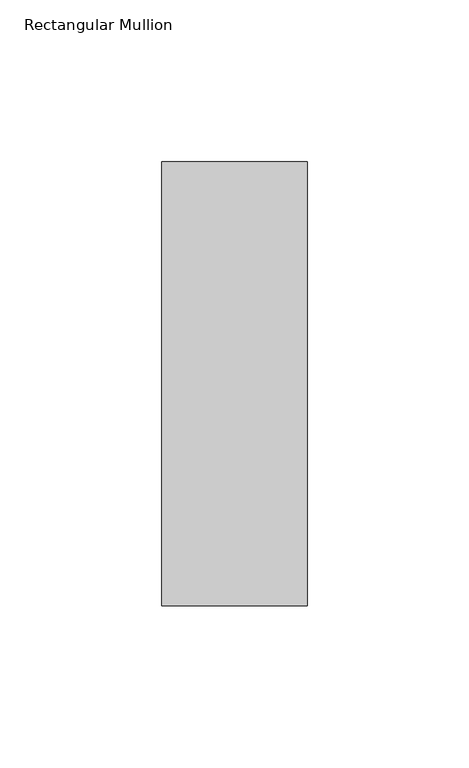
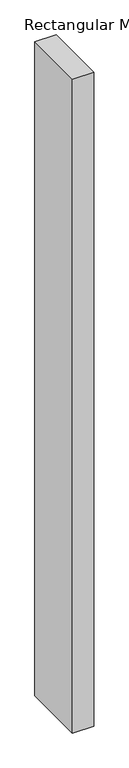
"""IFC4 building model written with IfcOpenShell, lengths in millimetres: member geometry, Rectangular Mullion."""

from ifc_helpers import new_model, si_unit, frame, origin, place, context, project, spatial, polyline, outline, extrude, source, transform, mapped, element, save


def rectangular_mullion_0cefca46(model_context):
    return source(origin(), model_context, "Body", "SweptSolid", [
        extrude(outline(polyline([(22.5, 84.19375), (22.5, -53.19375), (-22.5, -53.19375), (-22.5, 84.19375), (22.5, 84.19375)])), frame((0.0, 0.0, -1461.5642788), z_axis=(0.0, 0.0, 1.0), x_axis=(1.0, 0.0, 0.0)), (0.0, 0.0, 1.0), 1461.5642788),
    ])


if __name__ == "__main__":
    model = new_model("IFC4")
    model_context = context("Model", 3, world=origin())
    ifc_project = project(units=[si_unit("LENGTHUNIT", "METRE", prefix="MILLI")], contexts=[model_context])
    site = spatial("IfcSite", under=ifc_project)
    building = spatial("IfcBuilding", under=site)
    placement = place(None, origin())
    rectangular_mullion_shape = rectangular_mullion_0cefca46(model_context)
    element("IfcMember", 1, ObjectType="Rectangular Mullion", at=placement, inside=building, context=model_context, shape_type="MappedRepresentation", body=[
        mapped(rectangular_mullion_shape, transform((0.0, 0.0, 0.0), x_axis=(1.0, 0.0, 0.0), y_axis=(0.0, 1.0, 0.0), z_axis=(0.0, 0.0, 1.0))),
    ])
    save(model, "model.ifc")
